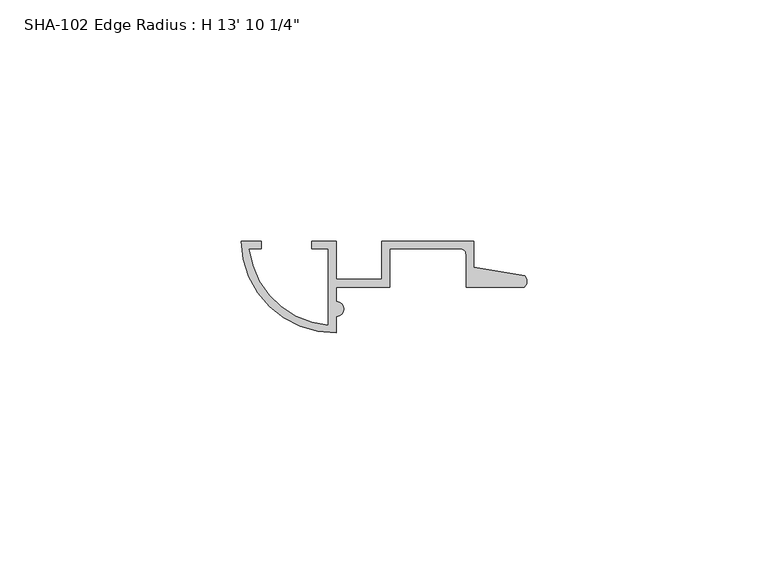
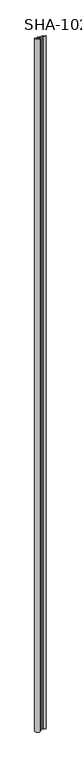
"""IFC4 building model written with IfcOpenShell, lengths in millimetres: proxy geometry."""

import ifcopenshell
import ifcopenshell.guid

model = None  # the IFC model being written
_history = None  # IfcOwnerHistory: only IFC2X3 demands one
_inside = {}  # id of a spatial element -> (the spatial element, [elements in it])
_under = {}  # id of a project, library or spatial element -> (it, [spatial elements below it])
_declared = {}  # id of a project -> (the project, [libraries it declares])
_typed = {}  # id of a type object -> (the type object, [elements of that type])
_made_of = {}  # id of a material, layer set ... -> (it, [elements and type objects made of it])


def new_model(schema):
    """Start an empty IFC model of exactly this schema.

    Asked for "IFC4X3", IfcOpenShell would pick the latest addendum, in which some entities
    have other attributes; the version numbers below select the first issue.
    IFC2X3 requires an IfcOwnerHistory on every rooted entity: one is made here for all.
    """
    global model, _history
    if schema == "IFC4X3":
        model = ifcopenshell.file(schema_version=(4, 3, 0, 0))
    else:
        model = ifcopenshell.file(schema=schema)
    _inside.clear()
    _under.clear()
    _declared.clear()
    _typed.clear()
    _made_of.clear()
    _history = None
    if model.schema == "IFC2X3":
        org = make("IfcOrganization", Name="unknown")
        user = make(
            "IfcPersonAndOrganization",
            ThePerson=make("IfcPerson", FamilyName="unknown"),
            TheOrganization=org,
        )
        app = make(
            "IfcApplication",
            ApplicationDeveloper=org,
            Version="unknown",
            ApplicationFullName="unknown",
            ApplicationIdentifier="unknown",
        )
        _history = make(
            "IfcOwnerHistory",
            OwningUser=user,
            OwningApplication=app,
            ChangeAction="ADDED",
            CreationDate=0,
        )
    return model


def make(cls, **values):
    """One entity of the class cls with the attributes given. An attribute that is None is left unset."""
    return model.create_entity(
        cls, **{name: value for name, value in values.items() if value is not None}
    )


def rooted(cls, **values):
    """An entity with a GlobalId (a new one), such as an element, a storey or a relation."""
    return make(cls, GlobalId=ifcopenshell.guid.new(), OwnerHistory=_history, **values)


def si_unit(unit_type, name, prefix=None):
    """IfcSIUnit, for example si_unit("LENGTHUNIT", "METRE", prefix="MILLI")."""
    return make("IfcSIUnit", UnitType=unit_type, Prefix=prefix, Name=name)


def assignment(units):
    """IfcUnitAssignment: the units of a project."""
    return None if units is None else make("IfcUnitAssignment", Units=units)


def point(xyz):
    """IfcCartesianPoint."""
    return None if xyz is None else make("IfcCartesianPoint", Coordinates=xyz)


def direction(xyz):
    """IfcDirection."""
    return None if xyz is None else make("IfcDirection", DirectionRatios=xyz)


def frame(location, z_axis=None, x_axis=None):
    """IfcAxis2Placement3D, a coordinate frame: its origin and axes. An axis left out is left unset."""
    return make(
        "IfcAxis2Placement3D",
        Location=point(location),
        Axis=direction(z_axis),
        RefDirection=direction(x_axis),
    )


def frame_2d(location, x_axis=None):
    """IfcAxis2Placement2D, a coordinate frame in the plane: its origin and x axis."""
    return make(
        "IfcAxis2Placement2D", Location=point(location), RefDirection=direction(x_axis)
    )


def origin():
    """The frame at (0, 0, 0) with its axes left unset."""
    return frame((0.0, 0.0, 0.0))


def origin_with_axes():
    """The frame at (0, 0, 0) with the z axis (0, 0, 1) and the x axis (1, 0, 0) written out."""
    return frame((0.0, 0.0, 0.0), z_axis=(0.0, 0.0, 1.0), x_axis=(1.0, 0.0, 0.0))


def place(relative_to, where):
    """IfcLocalPlacement: puts the frame where relative to a parent placement (None: the world)."""
    return make(
        "IfcLocalPlacement", PlacementRelTo=relative_to, RelativePlacement=where
    )


def context(
    kind, dimensions, precision=None, world=None, true_north=None, identifier=None
):
    """IfcGeometricRepresentationContext, for example the 3D "Model" context."""
    return make(
        "IfcGeometricRepresentationContext",
        ContextIdentifier=identifier,
        ContextType=kind,
        CoordinateSpaceDimension=dimensions,
        Precision=precision,
        WorldCoordinateSystem=world,
        TrueNorth=true_north,
    )


def project(units=None, contexts=None):
    """IfcProject with its units and contexts."""
    return rooted(
        "IfcProject",
        Name="project",
        RepresentationContexts=contexts,
        UnitsInContext=assignment(units),
    )


def spatial(cls, under=None, at=None, **own):
    """A site, building, storey or space (cls), placed at a placement, below another one or the project."""
    s = rooted(cls, ObjectPlacement=at, **own)
    if under is not None:
        _under.setdefault(under.id(), (under, []))[1].append(s)
    return s


def polyline(points):
    """IfcPolyline through the points."""
    return make("IfcPolyline", Points=[point(p) for p in points])


def circle_curve(where, radius):
    """IfcCircle in the frame where."""
    return make("IfcCircle", Position=where, Radius=radius)


def trimmed(basis, trim1, trim2, sense, master):
    """IfcTrimmedCurve: the piece of a basis curve between two trims."""
    return make(
        "IfcTrimmedCurve",
        BasisCurve=basis,
        Trim1=trim1,
        Trim2=trim2,
        SenseAgreement=sense,
        MasterRepresentation=master,
    )


def segment(curve, same_sense, transition):
    """IfcCompositeCurveSegment."""
    return make(
        "IfcCompositeCurveSegment",
        Transition=transition,
        SameSense=same_sense,
        ParentCurve=curve,
    )


def composite_curve(segments, self_intersect=None):
    """IfcCompositeCurve: segments joined end to end."""
    return make("IfcCompositeCurve", Segments=segments, SelfIntersect=self_intersect)


def outline(outer, holes=None, kind="AREA"):
    """IfcArbitraryClosedProfileDef: a profile drawn as a closed curve; with holes, ...WithVoids."""
    if holes is None:
        return make("IfcArbitraryClosedProfileDef", ProfileType=kind, OuterCurve=outer)
    return make(
        "IfcArbitraryProfileDefWithVoids",
        ProfileType=kind,
        OuterCurve=outer,
        InnerCurves=holes,
    )


def extrude(swept, where, along, depth):
    """IfcExtrudedAreaSolid: the profile swept, set in the frame where, extruded along a direction by depth."""
    return make(
        "IfcExtrudedAreaSolid",
        SweptArea=swept,
        Position=where,
        ExtrudedDirection=direction(along),
        Depth=depth,
    )


def shape(context_of_items, identifier, shape_type, items):
    """IfcShapeRepresentation: the items that make up one representation, for example the "Body"."""
    return make(
        "IfcShapeRepresentation",
        ContextOfItems=context_of_items,
        RepresentationIdentifier=identifier,
        RepresentationType=shape_type,
        Items=items,
    )


def source(mapping_origin, context_of_items, identifier, shape_type, items):
    """IfcRepresentationMap: a shape defined once, which mapped items show again and again."""
    return make(
        "IfcRepresentationMap",
        MappingOrigin=mapping_origin,
        MappedRepresentation=shape(context_of_items, identifier, shape_type, items),
    )


def transform(
    local_origin,
    x_axis=None,
    y_axis=None,
    z_axis=None,
    scale=None,
    scale2=None,
    scale3=None,
    uniform=True,
):
    """IfcCartesianTransformationOperator3D, or its non-uniform kind. x_axis, y_axis, z_axis: its Axis1, 2, 3."""
    if uniform:
        return make(
            "IfcCartesianTransformationOperator3D",
            Axis1=direction(x_axis),
            Axis2=direction(y_axis),
            LocalOrigin=point(local_origin),
            Scale=scale,
            Axis3=direction(z_axis),
        )
    return make(
        "IfcCartesianTransformationOperator3DnonUniform",
        Axis1=direction(x_axis),
        Axis2=direction(y_axis),
        LocalOrigin=point(local_origin),
        Scale=scale,
        Axis3=direction(z_axis),
        Scale2=scale2,
        Scale3=scale3,
    )


def mapped(mapping_source, mapping_target):
    """IfcMappedItem: shows the shape of a source again, moved by a transform."""
    return make(
        "IfcMappedItem", MappingSource=mapping_source, MappingTarget=mapping_target
    )


def made_of(thing, what):
    """Note that an element or type object is made of a material, layer set ...; save() writes the relation."""
    if what is not None:
        _made_of.setdefault(what.id(), (what, []))[1].append(thing)
    return thing


def element(
    cls,
    number,
    at=None,
    inside=None,
    cuts=None,
    type_object=None,
    material=None,
    context=None,
    identifier="Body",
    shape_type=None,
    held_by="IfcProductDefinitionShape",
    body=None,
    shapes=None,
    **own,
):
    """One element of the class cls, such as IfcWall. Its Tag is "e" and its number.

    at: its placement. inside: the storey or other place that contains it. cuts: it is an
    opening in that element (IfcRelVoidsElement). A single representation is given by context,
    identifier, shape_type and body (its items); several are given by shapes. held_by: the class
    of the entity that holds the representations. save() writes the other relations.
    """
    e = rooted(cls, Tag="e%d" % number, ObjectPlacement=at, **own)
    if body is not None:
        shapes = [shape(context, identifier, shape_type, body)]
    if shapes is not None:
        e.Representation = make(held_by, Representations=shapes)
    if inside is not None:
        _inside.setdefault(inside.id(), (inside, []))[1].append(e)
    if cuts is not None:
        rooted(
            "IfcRelVoidsElement", RelatingBuildingElement=cuts, RelatedOpeningElement=e
        )
    if type_object is not None:
        _typed.setdefault(type_object.id(), (type_object, []))[1].append(e)
    return made_of(e, material)


def aggregate(whole, parts):
    """IfcRelAggregates: a whole, such as a stair, and the parts it consists of."""
    return rooted("IfcRelAggregates", RelatingObject=whole, RelatedObjects=parts)


def save(model, path):
    """Write the relations noted so far, then the file.

    IfcRelAggregates (storeys below a building ...), IfcRelContainedInSpatialStructure (elements
    in a storey), IfcRelDefinesByType, IfcRelAssociatesMaterial and IfcRelDeclares: one each for
    every whole, place, type object, material and project.
    """
    for whole, parts in _under.values():
        aggregate(whole, parts)
    for where, things in _inside.values():
        rooted(
            "IfcRelContainedInSpatialStructure",
            RelatedElements=things,
            RelatingStructure=where,
        )
    for kind, things in _typed.values():
        rooted("IfcRelDefinesByType", RelatedObjects=things, RelatingType=kind)
    for what, things in _made_of.values():
        rooted("IfcRelAssociatesMaterial", RelatedObjects=things, RelatingMaterial=what)
    for by, libraries in _declared.values():
        rooted("IfcRelDeclares", RelatingContext=by, RelatedDefinitions=libraries)
    model.write(path)


def proxy_4003e105(model_context):
    return source(origin(), model_context, "Body", "SweptSolid", [
        extrude(outline(composite_curve([segment(polyline([(19.685, 19.685), (19.685, 11.7348), (29.21, 11.7348), (29.21, 19.685), (48.2346, 19.685), (48.2346, 14.292343), (58.8106869, 12.4813692)]), True, "CONTINUOUS"), segment(trimmed(circle_curve(frame_2d((57.6538454, 11.3526765)), 1.6162393), [point((58.8106869, 12.4813692))], [point((58.7446031, 10.16))], False, "CARTESIAN"), True, "CONTINUOUS"), segment(polyline([(58.7446031, 10.16), (46.6598, 10.16), (46.6598, 16.8402)]), True, "CONTINUOUS"), segment(trimmed(circle_curve(frame_2d((45.3898, 16.8402)), 1.27), [point((46.6598, 16.8402))], [point((45.3898, 18.1102))], True, "CARTESIAN"), True, "CONTINUOUS"), segment(polyline([(45.3898, 18.1102), (30.7848, 18.1102), (30.7848, 10.16), (19.685, 10.16), (19.685, 7.1707375)]), True, "CONTINUOUS"), segment(trimmed(circle_curve(frame_2d((19.685, 5.5959375)), 1.5748), [point((19.685, 7.1707375))], [point((19.685, 4.0211375))], False, "CARTESIAN"), True, "CONTINUOUS"), segment(polyline([(19.685, 4.0211375), (19.685, 0.635)]), True, "CONTINUOUS"), segment(trimmed(circle_curve(frame_2d((19.4361537, 20.073187)), 19.4397798), [point((19.685, 0.635))], [point((0.00025, 19.685))], False, "CARTESIAN"), True, "CONTINUOUS"), segment(polyline([(0.00025, 19.685), (4.1859022, 19.685), (4.1859022, 18.1102), (1.6301126, 18.1102)]), True, "CONTINUOUS"), segment(trimmed(circle_curve(frame_2d((19.374142, 20.073187)), 17.8522798), [point((1.6301126, 18.1102))], [point((18.1102, 2.265707))], True, "CARTESIAN"), True, "CONTINUOUS"), segment(polyline([(18.1102, 2.265707), (18.1102, 18.1102), (14.605, 18.1102), (14.605, 19.685), (19.685, 19.685)]), True, "CONTINUOUS")], self_intersect=False)), origin_with_axes(), (0.0, 0.0, 1.0), 4222.75),
    ])


if __name__ == "__main__":
    model = new_model("IFC4")
    model_context = context("Model", 3, world=origin())
    ifc_project = project(units=[si_unit("LENGTHUNIT", "METRE", prefix="MILLI")], contexts=[model_context])
    site = spatial("IfcSite", under=ifc_project)
    building = spatial("IfcBuilding", under=site)
    placement = place(None, origin())
    proxy_shape = proxy_4003e105(model_context)
    element("IfcBuildingElementProxy", 1, Name="SHA-102 Edge Radius : H 13' 10 1/4\"", ObjectType="SHA-102 Edge Radius : H 13' 10 1/4\"", at=placement, inside=building, context=model_context, shape_type="MappedRepresentation", body=[
        mapped(proxy_shape, transform((0.0, 0.0, 0.0), x_axis=(1.0, 0.0, 0.0), y_axis=(0.0, 1.0, 0.0), z_axis=(0.0, 0.0, 1.0))),
    ])
    save(model, "model.ifc")
